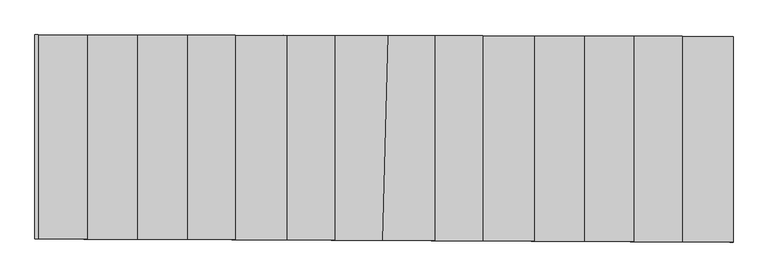
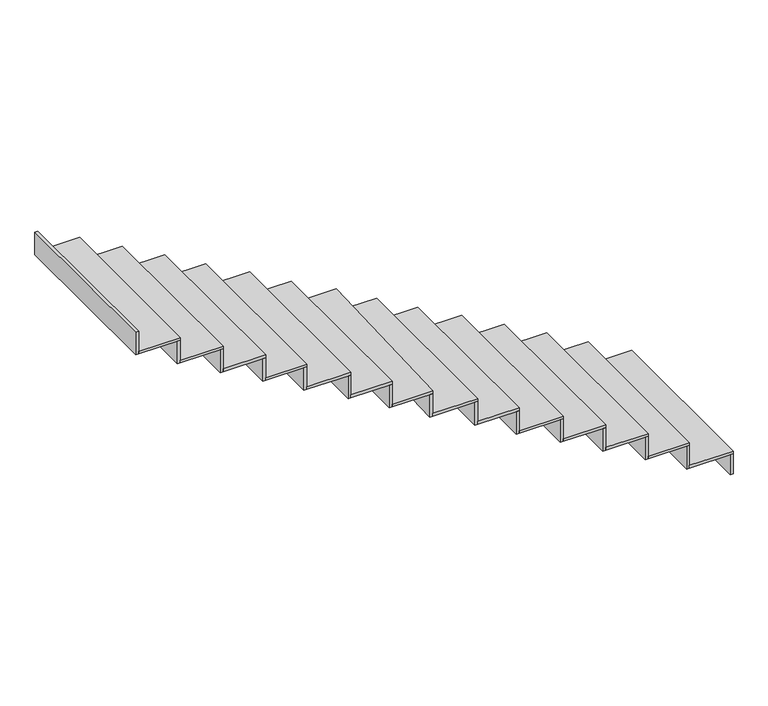
"""IFC4 building model written with IfcOpenShell, lengths in millimetres: stair flight geometry."""

from ifc_helpers import new_model, si_unit, frame, origin, place, context, project, spatial, polyline, outline, extrude, source, transform, mapped, element, save


def stair_flight_a437af3d(model_context):
    return source(origin(), model_context, "Body", "SweptSolid", [
        extrude(outline(polyline([(23764.907209, 1849.0100383), (23784.907209, 1848.9646731), (23784.907209, 649.0794888), (23764.907209, 649.1708928), (23764.907209, 1849.0100383)])), frame((0.0, 0.0, -2416.5), z_axis=(0.0, 0.0, 1.0), x_axis=(1.0, 0.0, 0.0)), (0.0, 0.0, 1.0), 143.5197413),
        extrude(outline(polyline([(23487.9368541, 650.4367034), (23487.9368541, 1849.6382787), (23784.907209, 1848.9646731), (23784.907209, 649.0794888), (23487.9368541, 650.4367034)])), frame((0.0, 0.0, -2272.9802587), z_axis=(0.0, 0.0, 1.0), x_axis=(1.0, 0.0, 0.0)), (0.0, 0.0, 1.0), 20.0),
        extrude(outline(polyline([(23467.9368541, 1849.6836438), (23487.9368541, 1849.6382787), (23487.9368541, 650.4367034), (23467.9368541, 650.5281075), (23467.9368541, 1849.6836438)])), frame((0.0, 0.0, -2272.9802587), z_axis=(0.0, 0.0, 1.0), x_axis=(1.0, 0.0, 0.0)), (0.0, 0.0, 1.0), 163.5197413),
        extrude(outline(polyline([(23206.6648821, 651.7221733), (23206.6648821, 1850.2762762), (23487.9368541, 1849.6382787), (23487.9368541, 650.4367034), (23206.6648821, 651.7221733)])), frame((0.0, 0.0, -2109.4605175), z_axis=(0.0, 0.0, 1.0), x_axis=(1.0, 0.0, 0.0)), (0.0, 0.0, 1.0), 20.0),
        extrude(outline(polyline([(23186.6648821, 1850.3216414), (23206.6648821, 1850.2762762), (23206.6648821, 651.7221733), (23186.6648821, 651.8135773), (23186.6648821, 1850.3216414)])), frame((0.0, 0.0, -2109.4605175), z_axis=(0.0, 0.0, 1.0), x_axis=(1.0, 0.0, 0.0)), (0.0, 0.0, 1.0), 163.5197413),
        extrude(outline(polyline([(22916.5335782, 653.0481321), (22916.5335782, 1850.9343691), (23206.6648821, 1850.2762762), (23206.6648821, 651.7221733), (22916.5335782, 653.0481321)])), frame((0.0, 0.0, -1945.9407762), z_axis=(0.0, 0.0, 1.0), x_axis=(1.0, 0.0, 0.0)), (0.0, 0.0, 1.0), 20.0),
        extrude(outline(polyline([(22896.5335782, 1850.9797342), (22916.5335782, 1850.9343691), (22916.5335782, 653.0481321), (22896.5335782, 653.1395361), (22896.5335782, 1850.9797342)])), frame((0.0, 0.0, -1945.9407762), z_axis=(0.0, 0.0, 1.0), x_axis=(1.0, 0.0, 0.0)), (0.0, 0.0, 1.0), 163.5197413),
        extrude(outline(polyline([(22627.6557018, 654.3683624), (22627.6557018, 1851.5896188), (22916.5335782, 1850.9343691), (22916.5335782, 653.0481321), (22627.6557018, 654.3683624)])), frame((0.0, 0.0, -1782.421035), z_axis=(0.0, 0.0, 1.0), x_axis=(1.0, 0.0, 0.0)), (0.0, 0.0, 1.0), 20.0),
        extrude(outline(polyline([(22607.6557018, 1851.634984), (22627.6557018, 1851.5896188), (22627.6557018, 654.3683624), (22607.6557018, 654.4597665), (22607.6557018, 1851.634984)])), frame((0.0, 0.0, -1782.421035), z_axis=(0.0, 0.0, 1.0), x_axis=(1.0, 0.0, 0.0)), (0.0, 0.0, 1.0), 163.5197413),
        extrude(outline(polyline([(22327.6557018, 655.7394232), (22327.6557018, 1852.2700964), (22627.6557018, 1851.5896188), (22627.6557018, 654.3683624), (22327.6557018, 655.7394232)])), frame((0.0, 0.0, -1618.9012937), z_axis=(0.0, 0.0, 1.0), x_axis=(1.0, 0.0, 0.0)), (0.0, 0.0, 1.0), 20.0),
        extrude(outline(polyline([(22307.6557018, 1852.3154616), (22327.6557018, 1852.2700964), (22327.6557018, 655.7394232), (22307.6557018, 655.8308272), (22307.6557018, 1852.3154616)])), frame((0.0, 0.0, -1618.9012937), z_axis=(0.0, 0.0, 1.0), x_axis=(1.0, 0.0, 0.0)), (0.0, 0.0, 1.0), 163.5197413),
        extrude(outline(polyline([(22047.6557018, 657.0190799), (22047.6557018, 1852.9052088), (22327.6557018, 1852.2700964), (22327.6557018, 655.7394232), (22047.6557018, 657.0190799)])), frame((0.0, 0.0, -1455.3815524), z_axis=(0.0, 0.0, 1.0), x_axis=(1.0, 0.0, 0.0)), (0.0, 0.0, 1.0), 20.0),
        extrude(outline(polyline([(22027.6557018, 1852.950574), (22047.6557018, 1852.9052088), (22047.6557018, 657.0190799), (22027.6557018, 657.1104839), (22027.6557018, 1852.950574)])), frame((0.0, 0.0, -1455.3815524), z_axis=(0.0, 0.0, 1.0), x_axis=(1.0, 0.0, 0.0)), (0.0, 0.0, 1.0), 163.5197413),
        extrude(outline(polyline([(21740.6634034, 658.4220968), (21772.565254, 1853.5291851), (22047.6557018, 1852.9052088), (22047.6557018, 657.0190799), (21740.6634034, 658.4220968)])), frame((0.0, 0.0, -1291.8618112), z_axis=(0.0, 0.0, 1.0), x_axis=(1.0, 0.0, 0.0)), (0.0, 0.0, 1.0), 20.0),
        extrude(outline(polyline([(21752.559341, 1853.5745637), (21772.565254, 1853.5291851), (21740.6634034, 658.4220968), (21720.6587196, 658.5135223), (21752.559341, 1853.5745637)])), frame((0.0, 0.0, -1291.8618112), z_axis=(0.0, 0.0, 1.0), x_axis=(1.0, 0.0, 0.0)), (0.0, 0.0, 1.0), 163.5197413),
        extrude(outline(polyline([(21463.5493692, 659.688564), (21463.5493692, 1854.230113), (21772.565254, 1853.5291851), (21740.6634034, 658.4220968), (21463.5493692, 659.688564)])), frame((0.0, 0.0, -1128.3420699), z_axis=(0.0, 0.0, 1.0), x_axis=(1.0, 0.0, 0.0)), (0.0, 0.0, 1.0), 20.0),
        extrude(outline(polyline([(21443.5493692, 1854.2754782), (21463.5493692, 1854.230113), (21463.5493692, 659.688564), (21443.5493692, 659.7799681), (21443.5493692, 1854.2754782)])), frame((0.0, 0.0, -1128.3420699), z_axis=(0.0, 0.0, 1.0), x_axis=(1.0, 0.0, 0.0)), (0.0, 0.0, 1.0), 163.5197413),
        extrude(outline(polyline([(21183.5493692, 660.9682207), (21183.5493692, 1854.8652255), (21463.5493692, 1854.230113), (21463.5493692, 659.688564), (21183.5493692, 660.9682207)])), frame((0.0, 0.0, -964.8223286), z_axis=(0.0, 0.0, 1.0), x_axis=(1.0, 0.0, 0.0)), (0.0, 0.0, 1.0), 20.0),
        extrude(outline(polyline([(21163.5493692, 1854.9105906), (21183.5493692, 1854.8652255), (21183.5493692, 660.9682207), (21163.5493692, 661.0596248), (21163.5493692, 1854.9105906)])), frame((0.0, 0.0, -964.8223286), z_axis=(0.0, 0.0, 1.0), x_axis=(1.0, 0.0, 0.0)), (0.0, 0.0, 1.0), 163.5197413),
        extrude(outline(polyline([(20883.5493692, 662.3392815), (20883.5493692, 1855.545703), (21183.5493692, 1854.8652255), (21183.5493692, 660.9682207), (20883.5493692, 662.3392815)])), frame((0.0, 0.0, -801.3025874), z_axis=(0.0, 0.0, 1.0), x_axis=(1.0, 0.0, 0.0)), (0.0, 0.0, 1.0), 20.0),
        extrude(outline(polyline([(20863.5493692, 1855.5910682), (20883.5493692, 1855.545703), (20883.5493692, 662.3392815), (20863.5493692, 662.4306855), (20863.5493692, 1855.5910682)])), frame((0.0, 0.0, -801.3025874), z_axis=(0.0, 0.0, 1.0), x_axis=(1.0, 0.0, 0.0)), (0.0, 0.0, 1.0), 163.5197413),
        extrude(outline(polyline([(20603.855604, 663.6175386), (20603.855604, 1856.1801208), (20883.5493692, 1855.545703), (20883.5493692, 662.3392815), (20603.855604, 663.6175386)])), frame((0.0, 0.0, -637.7828461), z_axis=(0.0, 0.0, 1.0), x_axis=(1.0, 0.0, 0.0)), (0.0, 0.0, 1.0), 20.0),
        extrude(outline(polyline([(20583.855604, 1856.225486), (20603.855604, 1856.1801208), (20603.855604, 663.6175386), (20583.855604, 663.7089426), (20583.855604, 1856.225486)])), frame((0.0, 0.0, -637.7828461), z_axis=(0.0, 0.0, 1.0), x_axis=(1.0, 0.0, 0.0)), (0.0, 0.0, 1.0), 163.5197413),
        extrude(outline(polyline([(20312.7074237, 664.9481447), (20312.7074237, 1856.8405202), (20603.855604, 1856.1801208), (20603.855604, 663.6175386), (20312.7074237, 664.9481447)])), frame((0.0, 0.0, -474.2631049), z_axis=(0.0, 0.0, 1.0), x_axis=(1.0, 0.0, 0.0)), (0.0, 0.0, 1.0), 20.0),
        extrude(outline(polyline([(20292.7074237, 1856.8858854), (20312.7074237, 1856.8405202), (20312.7074237, 664.9481447), (20292.7074237, 665.0395488), (20292.7074237, 1856.8858854)])), frame((0.0, 0.0, -474.2631049), z_axis=(0.0, 0.0, 1.0), x_axis=(1.0, 0.0, 0.0)), (0.0, 0.0, 1.0), 163.5197413),
        extrude(outline(polyline([(20022.7074237, 666.2735034), (20022.7074237, 1857.4983152), (20312.7074237, 1856.8405202), (20312.7074237, 664.9481447), (20022.7074237, 666.2735034)])), frame((0.0, 0.0, -310.7433636), z_axis=(0.0, 0.0, 1.0), x_axis=(1.0, 0.0, 0.0)), (0.0, 0.0, 1.0), 20.0),
        extrude(outline(polyline([(20002.7074237, 1857.5436804), (20022.7074237, 1857.4983152), (20022.7074237, 666.2735034), (20002.7074237, 666.3649075), (20002.7074237, 1857.5436804)])), frame((0.0, 0.0, -310.7433636), z_axis=(0.0, 0.0, 1.0), x_axis=(1.0, 0.0, 0.0)), (0.0, 0.0, 1.0), 163.5197413),
        extrude(outline(polyline([(19717.6901412, 1858.1901733), (19737.6901412, 1858.1448081), (19737.6901412, 667.5760901), (19717.6901412, 667.6674942), (19717.6901412, 1858.1901733)])), frame((0.0, 0.0, -147.2236223), z_axis=(0.0, 0.0, 1.0), x_axis=(1.0, 0.0, 0.0)), (0.0, 0.0, 1.0), 163.5197413),
        extrude(outline(polyline([(19737.6901412, 667.5760901), (19737.6901412, 1858.1448081), (20022.7074237, 1857.4983152), (20022.7074237, 666.2735034), (19737.6901412, 667.5760901)])), frame((0.0, 0.0, -147.2236223), z_axis=(0.0, 0.0, 1.0), x_axis=(1.0, 0.0, 0.0)), (0.0, 0.0, 1.0), 20.0),
    ])


if __name__ == "__main__":
    model = new_model("IFC4")
    model_context = context("Model", 3, world=origin())
    ifc_project = project(units=[si_unit("LENGTHUNIT", "METRE", prefix="MILLI")], contexts=[model_context])
    site = spatial("IfcSite", under=ifc_project)
    building = spatial("IfcBuilding", under=site)
    placement = place(None, origin())
    stair_flight_shape = stair_flight_a437af3d(model_context)
    element("IfcStairFlight", 1, at=placement, inside=building, context=model_context, shape_type="MappedRepresentation", body=[
        mapped(stair_flight_shape, transform((0.0, 0.0, 0.0), x_axis=(1.0, 0.0, 0.0), y_axis=(0.0, 1.0, 0.0), z_axis=(0.0, 0.0, 1.0))),
    ])
    save(model, "model.ifc")
